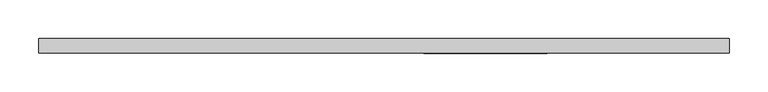
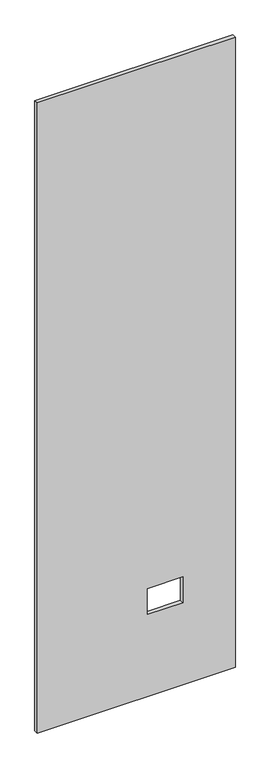
"""IFC4 building model written with IfcOpenShell, lengths in millimetres: proxy geometry."""

from ifc_helpers import new_model, si_unit, frame, origin, place, context, project, spatial, polyline, outline, extrude, source, transform, mapped, element, save


def specialty_equipment_317dde28(model_context):
    return source(origin(), model_context, "Body", "SweptSolid", [
        extrude(outline(polyline([(3016.25, 448.1315163), (3016.25, -448.1315163), (3.175, -448.1315163), (3.175, 448.1315163), (3016.25, 448.1315163)]), holes=[polyline([(518.9474, 211.8868), (395.4526, 211.8868), (395.4526, 51.3588), (518.9474, 51.3588), (518.9474, 211.8868)])]), frame((0.0, -9.525, 0.0), z_axis=(0.0, 1.0, 0.0), x_axis=(0.0, 0.0, 1.0)), (0.0, 0.0, 1.0), 19.05),
    ])


if __name__ == "__main__":
    model = new_model("IFC4")
    model_context = context("Model", 3, world=origin())
    ifc_project = project(units=[si_unit("LENGTHUNIT", "METRE", prefix="MILLI")], contexts=[model_context])
    site = spatial("IfcSite", under=ifc_project)
    building = spatial("IfcBuilding", under=site)
    placement = place(None, origin())
    specialty_equipment_shape = specialty_equipment_317dde28(model_context)
    element("IfcBuildingElementProxy", 1, Name="Specialty Equipment", at=placement, inside=building, context=model_context, shape_type="MappedRepresentation", body=[
        mapped(specialty_equipment_shape, transform((0.0, 0.0, 0.0), x_axis=(1.0, 0.0, 0.0), y_axis=(0.0, 1.0, 0.0), z_axis=(0.0, 0.0, 1.0))),
    ])
    save(model, "model.ifc")
